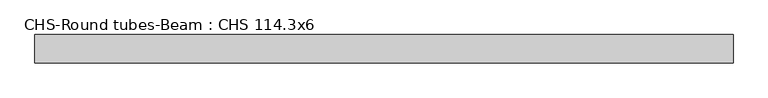
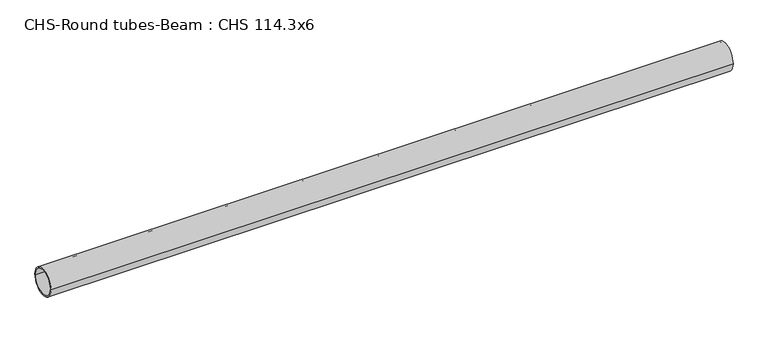
"""IFC4 building model written with IfcOpenShell, lengths in millimetres: beam geometry, CHS-Round tubes-Beam : CHS 114.3x6."""

from ifc_helpers import new_model, si_unit, point, frame, origin, origin_2d, place, context, project, spatial, circle_curve, trimmed, segment, composite_curve, outline, extrude, source, transform, mapped, element, save


def chs_round_tubes_beam_chs_114_3x6_3f2956d5(model_context):
    return source(origin(), model_context, "Body", "SweptSolid", [
        extrude(outline(composite_curve([segment(trimmed(circle_curve(origin_2d(), 57.15), [point((57.15, 0.0))], [point((-57.15, 0.0))], False, "CARTESIAN"), True, "CONTINUOUS"), segment(trimmed(circle_curve(origin_2d(), 57.15), [point((-57.15, 0.0))], [point((57.15, 0.0))], False, "CARTESIAN"), True, "CONTINUOUS")], self_intersect=False), holes=[composite_curve([segment(trimmed(circle_curve(origin_2d(), 51.15), [point((51.15, 0.0))], [point((-51.15, 0.0))], True, "CARTESIAN"), True, "CONTINUOUS"), segment(trimmed(circle_curve(origin_2d(), 51.15), [point((-51.15, 0.0))], [point((51.15, 0.0))], True, "CARTESIAN"), True, "CONTINUOUS")], self_intersect=False)]), frame((-1405.4551254, 0.0, 0.0), z_axis=(1.0, 0.0, 0.0), x_axis=(0.0, 1.0, 0.0)), (0.0, 0.0, 1.0), 2815.1472348),
    ])


if __name__ == "__main__":
    model = new_model("IFC4")
    model_context = context("Model", 3, world=origin())
    ifc_project = project(units=[si_unit("LENGTHUNIT", "METRE", prefix="MILLI")], contexts=[model_context])
    site = spatial("IfcSite", under=ifc_project)
    building = spatial("IfcBuilding", under=site)
    placement = place(None, origin())
    chs_round_tubes_beam_chs_114_3x6_shape = chs_round_tubes_beam_chs_114_3x6_3f2956d5(model_context)
    element("IfcBeam", 1, ObjectType="CHS-Round tubes-Beam : CHS 114.3x6", at=placement, inside=building, context=model_context, shape_type="MappedRepresentation", body=[
        mapped(chs_round_tubes_beam_chs_114_3x6_shape, transform((0.0, 0.0, 0.0), x_axis=(1.0, 0.0, 0.0), y_axis=(0.0, 1.0, 0.0), z_axis=(0.0, 0.0, 1.0))),
    ])
    save(model, "model.ifc")
